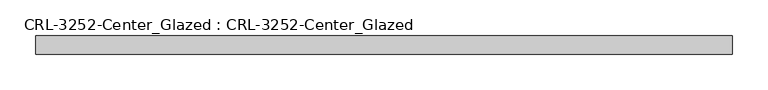
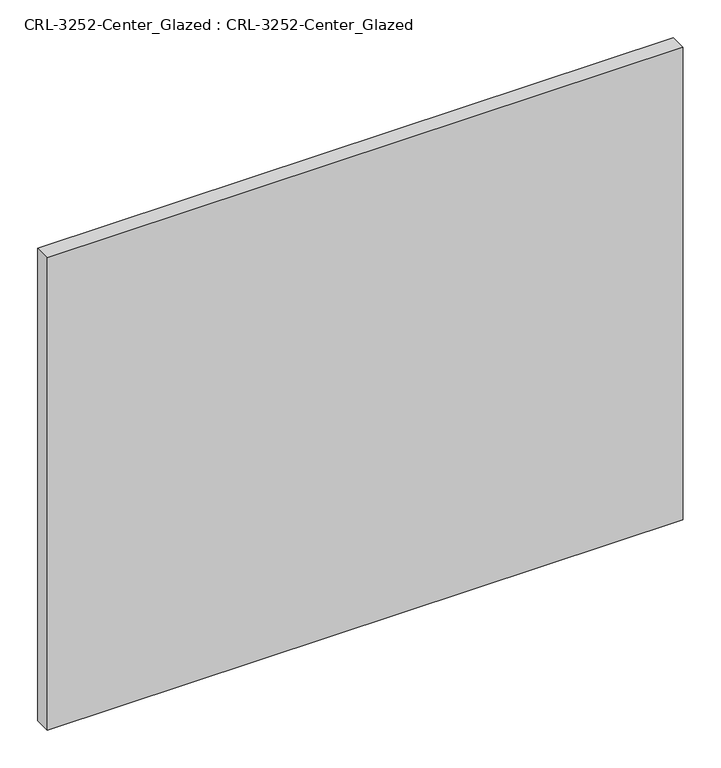
"""IFC4 building model written with IfcOpenShell, lengths in millimetres: plate geometry, CRL-3252-Center_Glazed : CRL-3252-Center_Glazed."""

import ifcopenshell
import ifcopenshell.guid

model = None  # the IFC model being written
_history = None  # IfcOwnerHistory: only IFC2X3 demands one
_inside = {}  # id of a spatial element -> (the spatial element, [elements in it])
_under = {}  # id of a project, library or spatial element -> (it, [spatial elements below it])
_declared = {}  # id of a project -> (the project, [libraries it declares])
_typed = {}  # id of a type object -> (the type object, [elements of that type])
_made_of = {}  # id of a material, layer set ... -> (it, [elements and type objects made of it])


def new_model(schema):
    """Start an empty IFC model of exactly this schema.

    Asked for "IFC4X3", IfcOpenShell would pick the latest addendum, in which some entities
    have other attributes; the version numbers below select the first issue.
    IFC2X3 requires an IfcOwnerHistory on every rooted entity: one is made here for all.
    """
    global model, _history
    if schema == "IFC4X3":
        model = ifcopenshell.file(schema_version=(4, 3, 0, 0))
    else:
        model = ifcopenshell.file(schema=schema)
    _inside.clear()
    _under.clear()
    _declared.clear()
    _typed.clear()
    _made_of.clear()
    _history = None
    if model.schema == "IFC2X3":
        org = make("IfcOrganization", Name="unknown")
        user = make(
            "IfcPersonAndOrganization",
            ThePerson=make("IfcPerson", FamilyName="unknown"),
            TheOrganization=org,
        )
        app = make(
            "IfcApplication",
            ApplicationDeveloper=org,
            Version="unknown",
            ApplicationFullName="unknown",
            ApplicationIdentifier="unknown",
        )
        _history = make(
            "IfcOwnerHistory",
            OwningUser=user,
            OwningApplication=app,
            ChangeAction="ADDED",
            CreationDate=0,
        )
    return model


def make(cls, **values):
    """One entity of the class cls with the attributes given. An attribute that is None is left unset."""
    return model.create_entity(
        cls, **{name: value for name, value in values.items() if value is not None}
    )


def rooted(cls, **values):
    """An entity with a GlobalId (a new one), such as an element, a storey or a relation."""
    return make(cls, GlobalId=ifcopenshell.guid.new(), OwnerHistory=_history, **values)


def si_unit(unit_type, name, prefix=None):
    """IfcSIUnit, for example si_unit("LENGTHUNIT", "METRE", prefix="MILLI")."""
    return make("IfcSIUnit", UnitType=unit_type, Prefix=prefix, Name=name)


def assignment(units):
    """IfcUnitAssignment: the units of a project."""
    return None if units is None else make("IfcUnitAssignment", Units=units)


def point(xyz):
    """IfcCartesianPoint."""
    return None if xyz is None else make("IfcCartesianPoint", Coordinates=xyz)


def direction(xyz):
    """IfcDirection."""
    return None if xyz is None else make("IfcDirection", DirectionRatios=xyz)


def frame(location, z_axis=None, x_axis=None):
    """IfcAxis2Placement3D, a coordinate frame: its origin and axes. An axis left out is left unset."""
    return make(
        "IfcAxis2Placement3D",
        Location=point(location),
        Axis=direction(z_axis),
        RefDirection=direction(x_axis),
    )


def origin():
    """The frame at (0, 0, 0) with its axes left unset."""
    return frame((0.0, 0.0, 0.0))


def origin_with_axes():
    """The frame at (0, 0, 0) with the z axis (0, 0, 1) and the x axis (1, 0, 0) written out."""
    return frame((0.0, 0.0, 0.0), z_axis=(0.0, 0.0, 1.0), x_axis=(1.0, 0.0, 0.0))


def place(relative_to, where):
    """IfcLocalPlacement: puts the frame where relative to a parent placement (None: the world)."""
    return make(
        "IfcLocalPlacement", PlacementRelTo=relative_to, RelativePlacement=where
    )


def context(
    kind, dimensions, precision=None, world=None, true_north=None, identifier=None
):
    """IfcGeometricRepresentationContext, for example the 3D "Model" context."""
    return make(
        "IfcGeometricRepresentationContext",
        ContextIdentifier=identifier,
        ContextType=kind,
        CoordinateSpaceDimension=dimensions,
        Precision=precision,
        WorldCoordinateSystem=world,
        TrueNorth=true_north,
    )


def project(units=None, contexts=None):
    """IfcProject with its units and contexts."""
    return rooted(
        "IfcProject",
        Name="project",
        RepresentationContexts=contexts,
        UnitsInContext=assignment(units),
    )


def spatial(cls, under=None, at=None, **own):
    """A site, building, storey or space (cls), placed at a placement, below another one or the project."""
    s = rooted(cls, ObjectPlacement=at, **own)
    if under is not None:
        _under.setdefault(under.id(), (under, []))[1].append(s)
    return s


def polyline(points):
    """IfcPolyline through the points."""
    return make("IfcPolyline", Points=[point(p) for p in points])


def outline(outer, holes=None, kind="AREA"):
    """IfcArbitraryClosedProfileDef: a profile drawn as a closed curve; with holes, ...WithVoids."""
    if holes is None:
        return make("IfcArbitraryClosedProfileDef", ProfileType=kind, OuterCurve=outer)
    return make(
        "IfcArbitraryProfileDefWithVoids",
        ProfileType=kind,
        OuterCurve=outer,
        InnerCurves=holes,
    )


def extrude(swept, where, along, depth):
    """IfcExtrudedAreaSolid: the profile swept, set in the frame where, extruded along a direction by depth."""
    return make(
        "IfcExtrudedAreaSolid",
        SweptArea=swept,
        Position=where,
        ExtrudedDirection=direction(along),
        Depth=depth,
    )


def shape(context_of_items, identifier, shape_type, items):
    """IfcShapeRepresentation: the items that make up one representation, for example the "Body"."""
    return make(
        "IfcShapeRepresentation",
        ContextOfItems=context_of_items,
        RepresentationIdentifier=identifier,
        RepresentationType=shape_type,
        Items=items,
    )


def source(mapping_origin, context_of_items, identifier, shape_type, items):
    """IfcRepresentationMap: a shape defined once, which mapped items show again and again."""
    return make(
        "IfcRepresentationMap",
        MappingOrigin=mapping_origin,
        MappedRepresentation=shape(context_of_items, identifier, shape_type, items),
    )


def transform(
    local_origin,
    x_axis=None,
    y_axis=None,
    z_axis=None,
    scale=None,
    scale2=None,
    scale3=None,
    uniform=True,
):
    """IfcCartesianTransformationOperator3D, or its non-uniform kind. x_axis, y_axis, z_axis: its Axis1, 2, 3."""
    if uniform:
        return make(
            "IfcCartesianTransformationOperator3D",
            Axis1=direction(x_axis),
            Axis2=direction(y_axis),
            LocalOrigin=point(local_origin),
            Scale=scale,
            Axis3=direction(z_axis),
        )
    return make(
        "IfcCartesianTransformationOperator3DnonUniform",
        Axis1=direction(x_axis),
        Axis2=direction(y_axis),
        LocalOrigin=point(local_origin),
        Scale=scale,
        Axis3=direction(z_axis),
        Scale2=scale2,
        Scale3=scale3,
    )


def mapped(mapping_source, mapping_target):
    """IfcMappedItem: shows the shape of a source again, moved by a transform."""
    return make(
        "IfcMappedItem", MappingSource=mapping_source, MappingTarget=mapping_target
    )


def made_of(thing, what):
    """Note that an element or type object is made of a material, layer set ...; save() writes the relation."""
    if what is not None:
        _made_of.setdefault(what.id(), (what, []))[1].append(thing)
    return thing


def element(
    cls,
    number,
    at=None,
    inside=None,
    cuts=None,
    type_object=None,
    material=None,
    context=None,
    identifier="Body",
    shape_type=None,
    held_by="IfcProductDefinitionShape",
    body=None,
    shapes=None,
    **own,
):
    """One element of the class cls, such as IfcWall. Its Tag is "e" and its number.

    at: its placement. inside: the storey or other place that contains it. cuts: it is an
    opening in that element (IfcRelVoidsElement). A single representation is given by context,
    identifier, shape_type and body (its items); several are given by shapes. held_by: the class
    of the entity that holds the representations. save() writes the other relations.
    """
    e = rooted(cls, Tag="e%d" % number, ObjectPlacement=at, **own)
    if body is not None:
        shapes = [shape(context, identifier, shape_type, body)]
    if shapes is not None:
        e.Representation = make(held_by, Representations=shapes)
    if inside is not None:
        _inside.setdefault(inside.id(), (inside, []))[1].append(e)
    if cuts is not None:
        rooted(
            "IfcRelVoidsElement", RelatingBuildingElement=cuts, RelatedOpeningElement=e
        )
    if type_object is not None:
        _typed.setdefault(type_object.id(), (type_object, []))[1].append(e)
    return made_of(e, material)


def aggregate(whole, parts):
    """IfcRelAggregates: a whole, such as a stair, and the parts it consists of."""
    return rooted("IfcRelAggregates", RelatingObject=whole, RelatedObjects=parts)


def save(model, path):
    """Write the relations noted so far, then the file.

    IfcRelAggregates (storeys below a building ...), IfcRelContainedInSpatialStructure (elements
    in a storey), IfcRelDefinesByType, IfcRelAssociatesMaterial and IfcRelDeclares: one each for
    every whole, place, type object, material and project.
    """
    for whole, parts in _under.values():
        aggregate(whole, parts)
    for where, things in _inside.values():
        rooted(
            "IfcRelContainedInSpatialStructure",
            RelatedElements=things,
            RelatingStructure=where,
        )
    for kind, things in _typed.values():
        rooted("IfcRelDefinesByType", RelatedObjects=things, RelatingType=kind)
    for what, things in _made_of.values():
        rooted("IfcRelAssociatesMaterial", RelatedObjects=things, RelatingMaterial=what)
    for by, libraries in _declared.values():
        rooted("IfcRelDeclares", RelatingContext=by, RelatedDefinitions=libraries)
    model.write(path)


def crl_3252_center_glazed_crl_3252_center_glazed_ce097c42(model_context):
    return source(origin(), model_context, "Body", "SweptSolid", [
        extrude(outline(polyline([(486.1634092, 12.7), (486.1634092, -12.7), (-486.1634092, -12.7), (-486.1634092, 12.7), (486.1634092, 12.7)])), origin_with_axes(), (0.0, 0.0, 1.0), 763.2431361),
    ])


if __name__ == "__main__":
    model = new_model("IFC4")
    model_context = context("Model", 3, world=origin())
    ifc_project = project(units=[si_unit("LENGTHUNIT", "METRE", prefix="MILLI")], contexts=[model_context])
    site = spatial("IfcSite", under=ifc_project)
    building = spatial("IfcBuilding", under=site)
    placement = place(None, origin())
    crl_3252_center_glazed_crl_3252_center_glazed_shape = crl_3252_center_glazed_crl_3252_center_glazed_ce097c42(model_context)
    element("IfcPlate", 1, ObjectType="CRL-3252-Center_Glazed : CRL-3252-Center_Glazed", at=placement, inside=building, context=model_context, shape_type="MappedRepresentation", body=[
        mapped(crl_3252_center_glazed_crl_3252_center_glazed_shape, transform((0.0, 0.0, 0.0), x_axis=(1.0, 0.0, 0.0), y_axis=(0.0, 1.0, 0.0), z_axis=(0.0, 0.0, 1.0))),
    ])
    save(model, "model.ifc")
